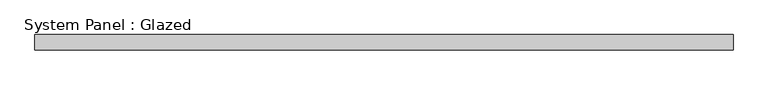
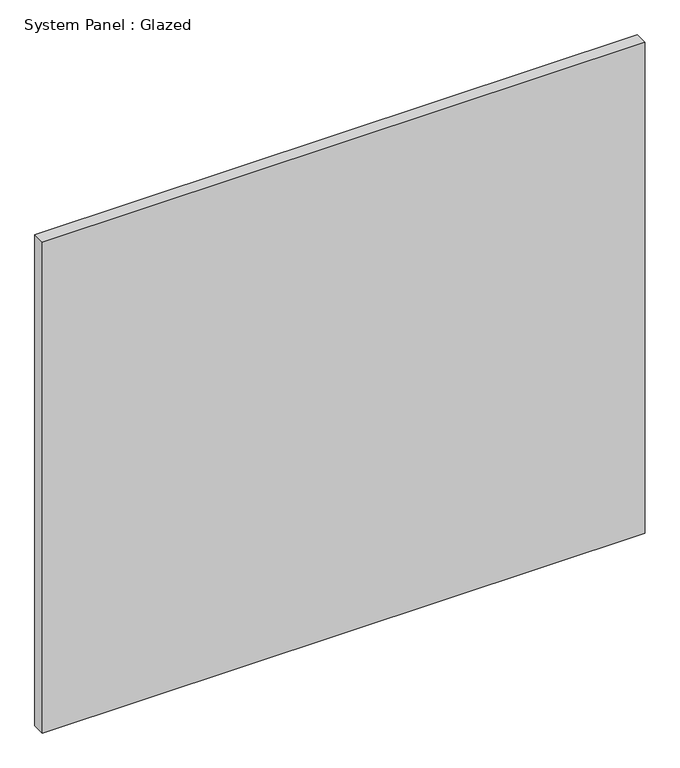
"""IFC4 building model written with IfcOpenShell, lengths in millimetres: plate geometry, System Panel : Glazed."""

from ifc_helpers import new_model, si_unit, origin, origin_with_axes, place, context, project, spatial, polyline, outline, extrude, source, transform, mapped, element, save


def system_panel_glazed_dd393980(model_context):
    return source(origin(), model_context, "Body", "SweptSolid", [
        extrude(outline(polyline([(573.3286751, 24.5), (-573.3286751, 24.5), (-573.3286751, 49.5), (573.3286751, 49.5), (573.3286751, 24.5)])), origin_with_axes(), (0.0, 0.0, 1.0), 987.1494736),
    ])


if __name__ == "__main__":
    model = new_model("IFC4")
    model_context = context("Model", 3, world=origin())
    ifc_project = project(units=[si_unit("LENGTHUNIT", "METRE", prefix="MILLI")], contexts=[model_context])
    site = spatial("IfcSite", under=ifc_project)
    building = spatial("IfcBuilding", under=site)
    placement = place(None, origin())
    system_panel_glazed_shape = system_panel_glazed_dd393980(model_context)
    element("IfcPlate", 1, ObjectType="System Panel : Glazed", at=placement, inside=building, context=model_context, shape_type="MappedRepresentation", body=[
        mapped(system_panel_glazed_shape, transform((0.0, 0.0, 0.0), x_axis=(1.0, 0.0, 0.0), y_axis=(0.0, 1.0, 0.0), z_axis=(0.0, 0.0, 1.0))),
    ])
    save(model, "model.ifc")
